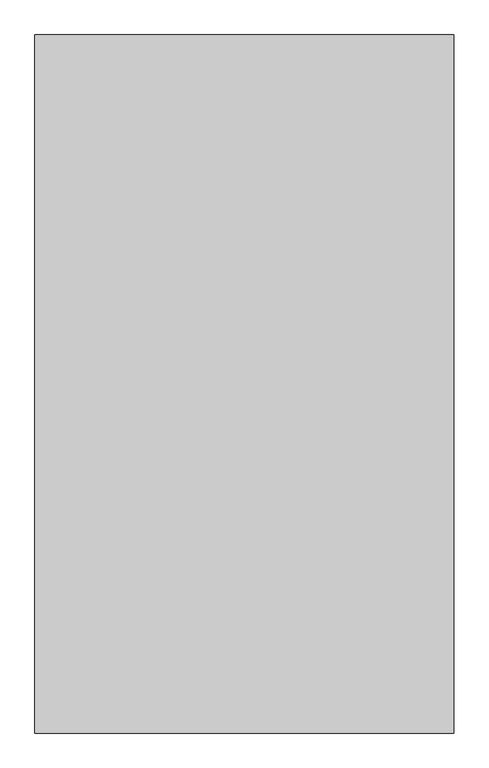
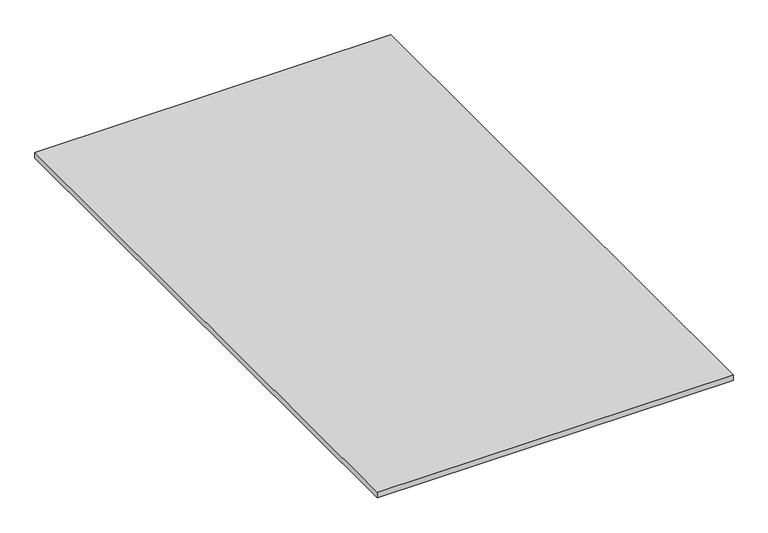
"""IFC4 building model written with IfcOpenShell, lengths in millimetres: proxy geometry."""

from ifc_helpers import new_model, si_unit, origin, origin_with_axes, place, context, project, spatial, polyline, outline, extrude, source, transform, mapped, element, save


def generic_models_6abc4cb5(model_context):
    return source(origin(), model_context, "Body", "SweptSolid", [
        extrude(outline(polyline([(11159.4865951, -5252.8374841), (11159.4865951, -6252.8374841), (10559.4865951, -6252.8374841), (10559.4865951, -5252.8374841), (11159.4865951, -5252.8374841)])), origin_with_axes(), (0.0, 0.0, 1.0), 10.0),
    ])


if __name__ == "__main__":
    model = new_model("IFC4")
    model_context = context("Model", 3, world=origin())
    ifc_project = project(units=[si_unit("LENGTHUNIT", "METRE", prefix="MILLI")], contexts=[model_context])
    site = spatial("IfcSite", under=ifc_project)
    building = spatial("IfcBuilding", under=site)
    placement = place(None, origin())
    generic_models_shape = generic_models_6abc4cb5(model_context)
    element("IfcBuildingElementProxy", 1, Name="Generic Models", at=placement, inside=building, context=model_context, shape_type="MappedRepresentation", body=[
        mapped(generic_models_shape, transform((0.0, 0.0, 0.0), x_axis=(1.0, 0.0, 0.0), y_axis=(0.0, 1.0, 0.0), z_axis=(0.0, 0.0, 1.0))),
    ])
    save(model, "model.ifc")
